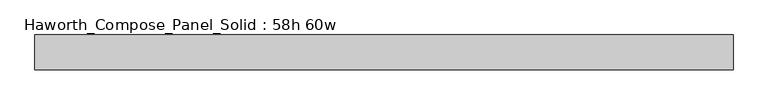
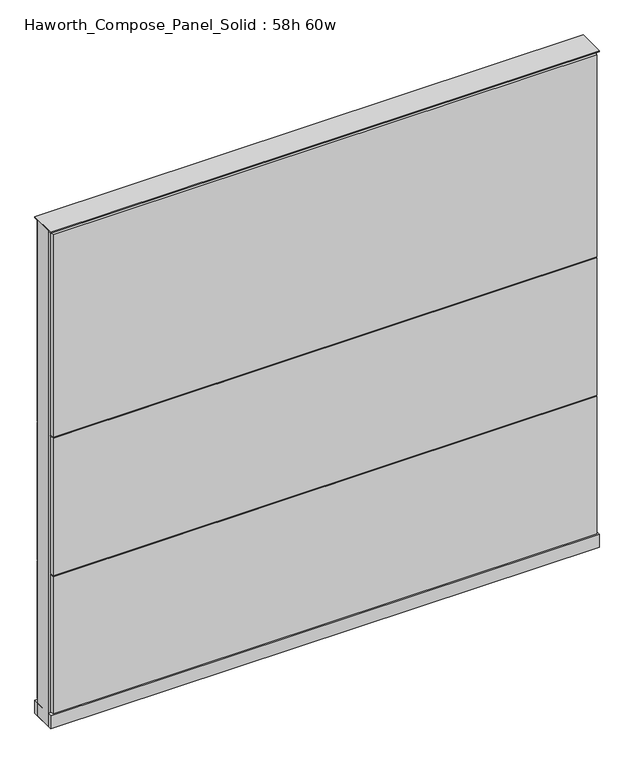
"""IFC4 building model written with IfcOpenShell, lengths in millimetres: furniture geometry, Haworth_Compose_Panel_Solid : 58h 60w."""

from ifc_helpers import new_model, si_unit, point, frame, frame_2d, origin, origin_with_axes, place, context, project, spatial, polyline, circle_curve, trimmed, segment, composite_curve, outline, extrude, source, transform, mapped, element, save


def haworth_compose_panel_solid_58h_60w_b69d7803(model_context):
    return source(origin(), model_context, "Body", "SweptSolid", [
        extrude(outline(composite_curve([segment(trimmed(circle_curve(frame_2d((-683.3597098, 0.0)), 12.7), [point((-696.0597098, 0.0))], [point((-670.6597098, 0.0))], False, "CARTESIAN"), True, "CONTINUOUS"), segment(trimmed(circle_curve(frame_2d((-683.3597098, 0.0)), 12.7), [point((-670.6597098, 0.0))], [point((-696.0597098, 0.0))], False, "CARTESIAN"), True, "CONTINUOUS")], self_intersect=False)), origin_with_axes(), (0.0, 0.0, 1.0), 12.7),
        extrude(outline(composite_curve([segment(trimmed(circle_curve(frame_2d((688.2402902, 0.0)), 12.7), [point((675.5402902, 0.0))], [point((700.9402902, 0.0))], False, "CARTESIAN"), True, "CONTINUOUS"), segment(trimmed(circle_curve(frame_2d((688.2402902, 0.0)), 12.7), [point((700.9402902, 0.0))], [point((675.5402902, 0.0))], False, "CARTESIAN"), True, "CONTINUOUS")], self_intersect=False)), origin_with_axes(), (0.0, 0.0, 1.0), 12.7),
        extrude(outline(polyline([(758.0902902, 38.1), (758.0902902, 25.4), (-753.2097098, 25.4), (-753.2097098, 38.1), (758.0902902, 38.1)])), frame((0.0, 0.0, 866.775), z_axis=(0.0, 0.0, 1.0), x_axis=(1.0, 0.0, 0.0)), (0.0, 0.0, 1.0), 593.725),
        extrude(outline(polyline([(758.0902902, 38.1), (758.0902902, 25.4), (-753.2097098, 25.4), (-753.2097098, 38.1), (758.0902902, 38.1)])), frame((0.0, 0.0, 460.375), z_axis=(0.0, 0.0, 1.0), x_axis=(1.0, 0.0, 0.0)), (0.0, 0.0, 1.0), 403.225),
        extrude(outline(polyline([(758.0902902, 38.1), (758.0902902, 25.4), (-753.2097098, 25.4), (-753.2097098, 38.1), (758.0902902, 38.1)])), frame((0.0, 0.0, 53.975), z_axis=(0.0, 0.0, 1.0), x_axis=(1.0, 0.0, 0.0)), (0.0, 0.0, 1.0), 403.225),
        extrude(outline(polyline([(758.0902902, -38.1), (-753.2097098, -38.1), (-753.2097098, -25.4), (758.0902902, -25.4), (758.0902902, -38.1)])), frame((0.0, 0.0, 866.775), z_axis=(0.0, 0.0, 1.0), x_axis=(1.0, 0.0, 0.0)), (0.0, 0.0, 1.0), 593.725),
        extrude(outline(polyline([(758.0902902, -38.1), (-753.2097098, -38.1), (-753.2097098, -25.4), (758.0902902, -25.4), (758.0902902, -38.1)])), frame((0.0, 0.0, 460.375), z_axis=(0.0, 0.0, 1.0), x_axis=(1.0, 0.0, 0.0)), (0.0, 0.0, 1.0), 403.225),
        extrude(outline(polyline([(758.0902902, -38.1), (-753.2097098, -38.1), (-753.2097098, -25.4), (758.0902902, -25.4), (758.0902902, -38.1)])), frame((0.0, 0.0, 53.975), z_axis=(0.0, 0.0, 1.0), x_axis=(1.0, 0.0, 0.0)), (0.0, 0.0, 1.0), 403.225),
        extrude(outline(polyline([(764.4402902, 25.4), (764.4402902, -25.4), (-759.5597098, -25.4), (-759.5597098, 25.4), (764.4402902, 25.4)])), frame((0.0, 0.0, 12.7), z_axis=(0.0, 0.0, 1.0), x_axis=(1.0, 0.0, 0.0)), (0.0, 0.0, 1.0), 1454.15),
        extrude(outline(polyline([(-759.5597098, -38.1), (-759.5597098, 38.1), (764.4402902, 38.1), (764.4402902, -38.1), (-759.5597098, -38.1)])), frame((0.0, 0.0, 12.7), z_axis=(0.0, 0.0, 1.0), x_axis=(1.0, 0.0, 0.0)), (0.0, 0.0, 1.0), 38.1),
        extrude(outline(polyline([(-759.5597098, -38.1), (-759.5597098, 38.1), (764.4402902, 38.1), (764.4402902, -38.1), (-759.5597098, -38.1)])), frame((0.0, 0.0, 1466.85), z_axis=(0.0, 0.0, 1.0), x_axis=(1.0, 0.0, 0.0)), (0.0, 0.0, 1.0), 3.175),
    ])


if __name__ == "__main__":
    model = new_model("IFC4")
    model_context = context("Model", 3, world=origin())
    ifc_project = project(units=[si_unit("LENGTHUNIT", "METRE", prefix="MILLI")], contexts=[model_context])
    site = spatial("IfcSite", under=ifc_project)
    building = spatial("IfcBuilding", under=site)
    placement = place(None, origin())
    haworth_compose_panel_solid_58h_60w_shape = haworth_compose_panel_solid_58h_60w_b69d7803(model_context)
    element("IfcFurniture", 1, ObjectType="Haworth_Compose_Panel_Solid : 58h 60w", at=placement, inside=building, context=model_context, shape_type="MappedRepresentation", body=[
        mapped(haworth_compose_panel_solid_58h_60w_shape, transform((0.0, 0.0, 0.0), x_axis=(1.0, 0.0, 0.0), y_axis=(0.0, 1.0, 0.0), z_axis=(0.0, 0.0, 1.0))),
    ])
    save(model, "model.ifc")
